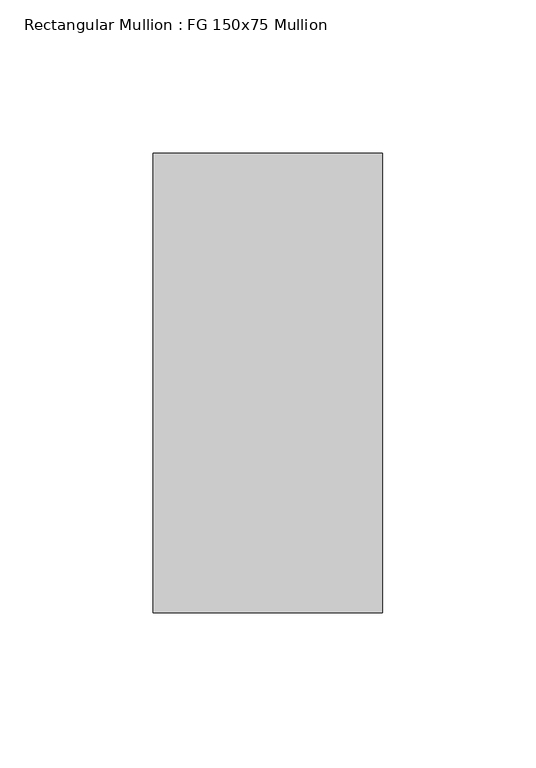
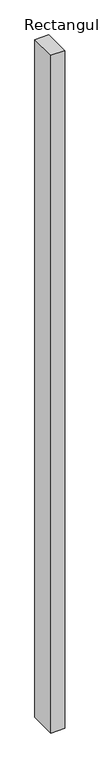
"""IFC4 building model written with IfcOpenShell, lengths in millimetres: member geometry, Rectangular Mullion : FG 150x75 Mullion."""

from ifc_helpers import new_model, si_unit, frame, origin, place, context, project, spatial, polyline, outline, extrude, source, transform, mapped, element, save


def rectangular_mullion_fg_150x75_mullion_51f36647(model_context):
    return source(origin(), model_context, "Body", "SweptSolid", [
        extrude(outline(polyline([(37.5, 75.0), (37.5, -75.0), (-37.5, -75.0), (-37.5, 75.0), (37.5, 75.0)])), frame((0.0, 0.0, -3870.5), z_axis=(0.0, 0.0, 1.0), x_axis=(1.0, 0.0, 0.0)), (0.0, 0.0, 1.0), 3870.5),
    ])


if __name__ == "__main__":
    model = new_model("IFC4")
    model_context = context("Model", 3, world=origin())
    ifc_project = project(units=[si_unit("LENGTHUNIT", "METRE", prefix="MILLI")], contexts=[model_context])
    site = spatial("IfcSite", under=ifc_project)
    building = spatial("IfcBuilding", under=site)
    placement = place(None, origin())
    rectangular_mullion_fg_150x75_mullion_shape = rectangular_mullion_fg_150x75_mullion_51f36647(model_context)
    element("IfcMember", 1, ObjectType="Rectangular Mullion : FG 150x75 Mullion", at=placement, inside=building, context=model_context, shape_type="MappedRepresentation", body=[
        mapped(rectangular_mullion_fg_150x75_mullion_shape, transform((0.0, 0.0, 0.0), x_axis=(1.0, 0.0, 0.0), y_axis=(0.0, 1.0, 0.0), z_axis=(0.0, 0.0, 1.0))),
    ])
    save(model, "model.ifc")
